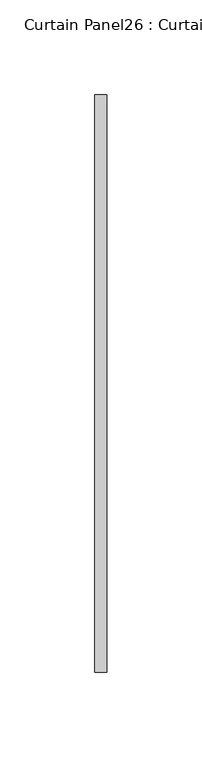
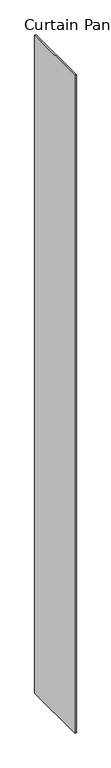
"""IFC4 building model written with IfcOpenShell, lengths in millimetres: plate geometry, Curtain Panel26 : Curtain Panel."""

from ifc_helpers import new_model, si_unit, origin, origin_with_axes, place, context, project, spatial, polyline, outline, extrude, source, transform, mapped, element, save


def curtain_panel26_curtain_panel_913874da(model_context):
    return source(origin(), model_context, "Body", "SweptSolid", [
        extrude(outline(polyline([(305654.4031947, 1988.2544821), (305654.4031947, 2293.0544821), (305660.7531947, 2293.0544821), (305660.7531947, 1988.2544821), (305654.4031947, 1988.2544821)])), origin_with_axes(), (0.0, 0.0, 1.0), 3048.0),
    ])


if __name__ == "__main__":
    model = new_model("IFC4")
    model_context = context("Model", 3, world=origin())
    ifc_project = project(units=[si_unit("LENGTHUNIT", "METRE", prefix="MILLI")], contexts=[model_context])
    site = spatial("IfcSite", under=ifc_project)
    building = spatial("IfcBuilding", under=site)
    placement = place(None, origin())
    curtain_panel26_curtain_panel_shape = curtain_panel26_curtain_panel_913874da(model_context)
    element("IfcPlate", 1, ObjectType="Curtain Panel26 : Curtain Panel", at=placement, inside=building, context=model_context, shape_type="MappedRepresentation", body=[
        mapped(curtain_panel26_curtain_panel_shape, transform((0.0, 0.0, 0.0), x_axis=(1.0, 0.0, 0.0), y_axis=(0.0, 1.0, 0.0), z_axis=(0.0, 0.0, 1.0))),
    ])
    save(model, "model.ifc")
